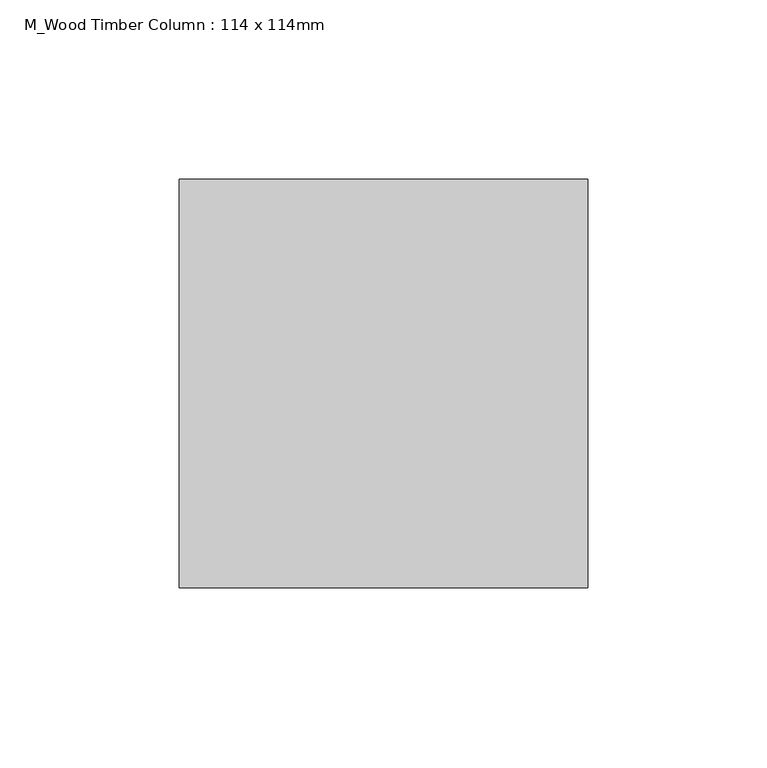
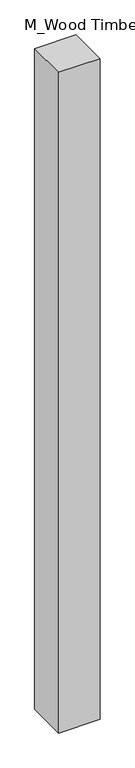
"""IFC4 building model written with IfcOpenShell, lengths in millimetres: column geometry, M_Wood Timber Column : 114 x 114mm."""

from ifc_helpers import new_model, si_unit, frame, origin, place, context, project, spatial, polyline, outline, extrude, source, transform, mapped, element, save


def m_wood_timber_column_114_x_114mm_2736d1e6(model_context):
    return source(origin(), model_context, "Body", "SweptSolid", [
        extrude(outline(polyline([(57.0, -57.0), (-57.0, -57.0), (-57.0, 57.0), (57.0, 57.0), (57.0, -57.0)])), frame((0.0, 0.0, -725.0), z_axis=(0.0, 0.0, 1.0), x_axis=(1.0, 0.0, 0.0)), (0.0, 0.0, 1.0), 1925.0),
    ])


if __name__ == "__main__":
    model = new_model("IFC4")
    model_context = context("Model", 3, world=origin())
    ifc_project = project(units=[si_unit("LENGTHUNIT", "METRE", prefix="MILLI")], contexts=[model_context])
    site = spatial("IfcSite", under=ifc_project)
    building = spatial("IfcBuilding", under=site)
    placement = place(None, origin())
    m_wood_timber_column_114_x_114mm_shape = m_wood_timber_column_114_x_114mm_2736d1e6(model_context)
    element("IfcColumn", 1, ObjectType="M_Wood Timber Column : 114 x 114mm", at=placement, inside=building, context=model_context, shape_type="MappedRepresentation", body=[
        mapped(m_wood_timber_column_114_x_114mm_shape, transform((0.0, 0.0, 0.0), x_axis=(1.0, 0.0, 0.0), y_axis=(0.0, 1.0, 0.0), z_axis=(0.0, 0.0, 1.0))),
    ])
    save(model, "model.ifc")
